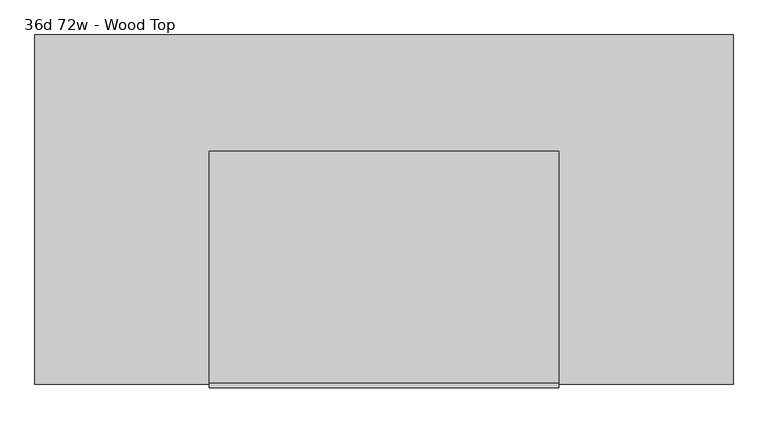
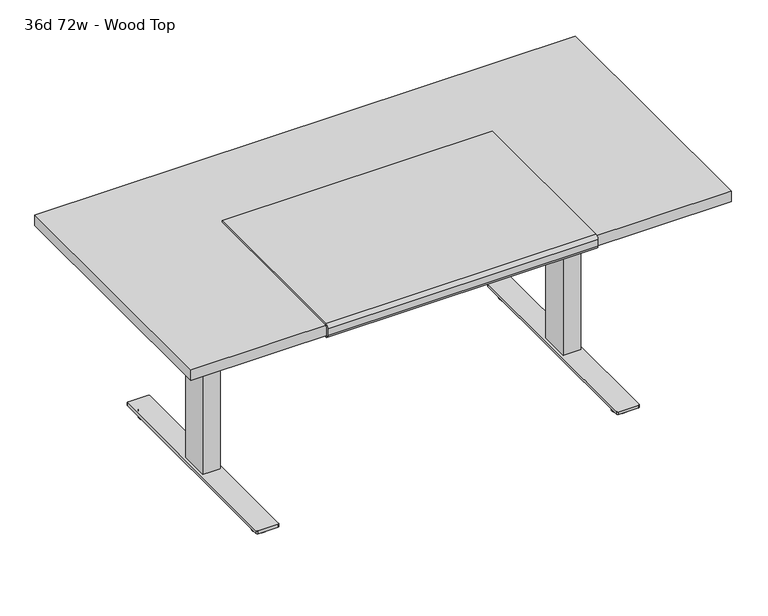
"""IFC4 building model written with IfcOpenShell, lengths in millimetres: furniture geometry, 36d 72w - Wood Top."""

from ifc_helpers import new_model, si_unit, point, frame, frame_2d, origin, origin_with_axes, place, context, project, spatial, polyline, circle_curve, trimmed, segment, composite_curve, outline, extrude, source, transform, mapped, element, save


def furniture_36d_72w_wood_top_b3a11e77(model_context):
    return source(origin(), model_context, "Body", "SweptSolid", [
        extrude(outline(composite_curve([segment(polyline([(-923.7981828, 711.2566341), (-923.7981828, 706.2597008)]), True, "CONTINUOUS"), segment(trimmed(circle_curve(frame_2d((-923.7981828, 718.9597008)), 12.7), [point((-923.7981828, 706.2597008))], [point((-936.4981828, 718.9597008))], False, "CARTESIAN"), True, "CONTINUOUS"), segment(polyline([(-936.4981828, 718.9597008), (-936.4981828, 741.3625)]), True, "CONTINUOUS"), segment(trimmed(circle_curve(frame_2d((-923.7981828, 741.3625)), 12.7), [point((-936.4981828, 741.3625))], [point((-923.7981828, 754.0625))], False, "CARTESIAN"), True, "CONTINUOUS"), segment(polyline([(-923.7981828, 754.0625), (-317.3731828, 754.0625), (-317.3731828, 749.3), (-923.6350132, 749.3)]), True, "CONTINUOUS"), segment(trimmed(circle_curve(frame_2d((-923.6350132, 741.3625)), 7.9375), [point((-923.6350132, 749.3))], [point((-931.5725132, 741.3625))], True, "CARTESIAN"), True, "CONTINUOUS"), segment(polyline([(-931.5725132, 741.3625), (-931.5725132, 717.6066341)]), True, "CONTINUOUS"), segment(trimmed(circle_curve(frame_2d((-925.2225132, 717.6066341)), 6.35), [point((-931.5725132, 717.6066341))], [point((-925.2225132, 711.2566341))], True, "CARTESIAN"), True, "CONTINUOUS"), segment(polyline([(-925.2225132, 711.2566341), (-923.7981828, 711.2566341)]), True, "CONTINUOUS")], self_intersect=False)), frame((-469.9, 0.0, 0.0), z_axis=(1.0, 0.0, 0.0), x_axis=(0.0, 1.0, 0.0)), (0.0, 0.0, 1.0), 914.4),
        extrude(outline(polyline([(-730.25, 692.15), (-730.25, 711.2), (-209.55, 711.2), (-209.55, 692.15), (-411.1625, 635.0), (-528.6375, 635.0), (-730.25, 692.15)])), frame((-662.78125, 0.0, 0.0), z_axis=(1.0, 0.0, 0.0), x_axis=(0.0, 1.0, 0.0)), (0.0, 0.0, 1.0), 2.38125),
        extrude(outline(polyline([(-472.28125, -411.1625), (-472.28125, -528.6375), (-660.4, -528.6375), (-660.4, -411.1625), (-472.28125, -411.1625)])), frame((0.0, 0.0, 655.6375), z_axis=(0.0, 0.0, 1.0), x_axis=(1.0, 0.0, 0.0)), (0.0, 0.0, 1.0), 55.5625),
        extrude(outline(polyline([(-596.9, -425.45), (-596.9, -514.35), (-647.7, -514.35), (-647.7, -425.45), (-596.9, -425.45)])), frame((0.0, 0.0, 654.05), z_axis=(0.0, 0.0, 1.0), x_axis=(1.0, 0.0, 0.0)), (0.0, 0.0, 1.0), 1.5875),
        extrude(outline(polyline([(-592.3359375, -419.89375), (-592.3359375, -519.90625), (-652.2640625, -519.90625), (-652.2640625, -419.89375), (-592.3359375, -419.89375)])), frame((0.0, 0.0, 31.75), z_axis=(0.0, 0.0, 1.0), x_axis=(1.0, 0.0, 0.0)), (0.0, 0.0, 1.0), 622.3),
        extrude(outline(composite_curve([segment(trimmed(circle_curve(frame_2d((-622.3, -800.1)), 25.4), [point((-647.7, -800.1))], [point((-596.9, -800.1))], False, "CARTESIAN"), True, "CONTINUOUS"), segment(trimmed(circle_curve(frame_2d((-622.3, -800.1)), 25.4), [point((-596.9, -800.1))], [point((-647.7, -800.1))], False, "CARTESIAN"), True, "CONTINUOUS")], self_intersect=False)), origin_with_axes(), (0.0, 0.0, 1.0), 9.525),
        extrude(outline(composite_curve([segment(trimmed(circle_curve(frame_2d((-622.3, -139.7)), 25.4), [point((-647.7, -139.7))], [point((-596.9, -139.7))], False, "CARTESIAN"), True, "CONTINUOUS"), segment(trimmed(circle_curve(frame_2d((-622.3, -139.7)), 25.4), [point((-596.9, -139.7))], [point((-647.7, -139.7))], False, "CARTESIAN"), True, "CONTINUOUS")], self_intersect=False)), origin_with_axes(), (0.0, 0.0, 1.0), 9.525),
        extrude(outline(composite_curve([segment(polyline([(-647.7, -800.1), (-647.7, -139.7)]), True, "CONTINUOUS"), segment(trimmed(circle_curve(frame_2d((-622.3, -139.7)), 25.4), [point((-647.7, -139.7))], [point((-622.3, -114.3))], False, "CARTESIAN"), True, "CONTINUOUS"), segment(trimmed(circle_curve(frame_2d((-622.3, -139.7)), 25.4), [point((-622.3, -114.3))], [point((-596.9, -139.7))], False, "CARTESIAN"), True, "CONTINUOUS"), segment(polyline([(-596.9, -139.7), (-596.9, -800.1)]), True, "CONTINUOUS"), segment(trimmed(circle_curve(frame_2d((-622.3, -800.1)), 25.4), [point((-596.9, -800.1))], [point((-622.3, -825.5))], False, "CARTESIAN"), True, "CONTINUOUS"), segment(trimmed(circle_curve(frame_2d((-622.3, -800.1)), 25.4), [point((-622.3, -825.5))], [point((-647.7, -800.1))], False, "CARTESIAN"), True, "CONTINUOUS")], self_intersect=False)), frame((0.0, 0.0, 9.525), z_axis=(0.0, 0.0, 1.0), x_axis=(1.0, 0.0, 0.0)), (0.0, 0.0, 1.0), 12.7),
        extrude(outline(composite_curve([segment(trimmed(circle_curve(frame_2d((-588.9625, -93.6625)), 4.7625), [point((-588.9625, -88.9))], [point((-584.2, -93.6625))], False, "CARTESIAN"), True, "CONTINUOUS"), segment(polyline([(-584.2, -93.6625), (-584.2, -846.1375)]), True, "CONTINUOUS"), segment(trimmed(circle_curve(frame_2d((-588.9625, -846.1375)), 4.7625), [point((-584.2, -846.1375))], [point((-588.9625, -850.9))], False, "CARTESIAN"), True, "CONTINUOUS"), segment(polyline([(-588.9625, -850.9), (-655.6375, -850.9)]), True, "CONTINUOUS"), segment(trimmed(circle_curve(frame_2d((-655.6375, -846.1375)), 4.7625), [point((-655.6375, -850.9))], [point((-660.4, -846.1375))], False, "CARTESIAN"), True, "CONTINUOUS"), segment(polyline([(-660.4, -846.1375), (-660.4, -93.6625)]), True, "CONTINUOUS"), segment(trimmed(circle_curve(frame_2d((-655.6375, -93.6625)), 4.7625), [point((-660.4, -93.6625))], [point((-655.6375, -88.9))], False, "CARTESIAN"), True, "CONTINUOUS"), segment(polyline([(-655.6375, -88.9), (-588.9625, -88.9)]), True, "CONTINUOUS")], self_intersect=False)), frame((0.0, 0.0, 22.225), z_axis=(0.0, 0.0, 1.0), x_axis=(1.0, 0.0, 0.0)), (0.0, 0.0, 1.0), 9.525),
        extrude(outline(polyline([(-209.55, 692.15), (-411.1625, 635.0), (-528.6375, 635.0), (-730.25, 692.15), (-730.25, 711.2), (-209.55, 711.2), (-209.55, 692.15)])), frame((635.0, 0.0, 0.0), z_axis=(1.0, 0.0, 0.0), x_axis=(0.0, 1.0, 0.0)), (0.0, 0.0, 1.0), 2.38125),
        extrude(outline(polyline([(446.88125, -528.6375), (446.88125, -411.1625), (635.0, -411.1625), (635.0, -528.6375), (446.88125, -528.6375)])), frame((0.0, 0.0, 655.6375), z_axis=(0.0, 0.0, 1.0), x_axis=(1.0, 0.0, 0.0)), (0.0, 0.0, 1.0), 55.5625),
        extrude(outline(polyline([(571.5, -514.35), (571.5, -425.45), (622.3, -425.45), (622.3, -514.35), (571.5, -514.35)])), frame((0.0, 0.0, 654.05), z_axis=(0.0, 0.0, 1.0), x_axis=(1.0, 0.0, 0.0)), (0.0, 0.0, 1.0), 1.5875),
        extrude(outline(polyline([(566.9359375, -519.90625), (566.9359375, -419.89375), (626.8640625, -419.89375), (626.8640625, -519.90625), (566.9359375, -519.90625)])), frame((0.0, 0.0, 31.75), z_axis=(0.0, 0.0, 1.0), x_axis=(1.0, 0.0, 0.0)), (0.0, 0.0, 1.0), 622.3),
        extrude(outline(composite_curve([segment(trimmed(circle_curve(frame_2d((596.9, -139.7)), 25.4), [point((622.3, -139.7))], [point((571.5, -139.7))], False, "CARTESIAN"), True, "CONTINUOUS"), segment(trimmed(circle_curve(frame_2d((596.9, -139.7)), 25.4), [point((571.5, -139.7))], [point((622.3, -139.7))], False, "CARTESIAN"), True, "CONTINUOUS")], self_intersect=False)), origin_with_axes(), (0.0, 0.0, 1.0), 9.525),
        extrude(outline(composite_curve([segment(trimmed(circle_curve(frame_2d((596.9, -800.1)), 25.4), [point((622.3, -800.1))], [point((571.5, -800.1))], False, "CARTESIAN"), True, "CONTINUOUS"), segment(trimmed(circle_curve(frame_2d((596.9, -800.1)), 25.4), [point((571.5, -800.1))], [point((622.3, -800.1))], False, "CARTESIAN"), True, "CONTINUOUS")], self_intersect=False)), origin_with_axes(), (0.0, 0.0, 1.0), 9.525),
        extrude(outline(composite_curve([segment(polyline([(622.3, -139.7), (622.3, -800.1)]), True, "CONTINUOUS"), segment(trimmed(circle_curve(frame_2d((596.9, -800.1)), 25.4), [point((622.3, -800.1))], [point((596.9, -825.5))], False, "CARTESIAN"), True, "CONTINUOUS"), segment(trimmed(circle_curve(frame_2d((596.9, -800.1)), 25.4), [point((596.9, -825.5))], [point((571.5, -800.1))], False, "CARTESIAN"), True, "CONTINUOUS"), segment(polyline([(571.5, -800.1), (571.5, -139.7)]), True, "CONTINUOUS"), segment(trimmed(circle_curve(frame_2d((596.9, -139.7)), 25.4), [point((571.5, -139.7))], [point((596.9, -114.3))], False, "CARTESIAN"), True, "CONTINUOUS"), segment(trimmed(circle_curve(frame_2d((596.9, -139.7)), 25.4), [point((596.9, -114.3))], [point((622.3, -139.7))], False, "CARTESIAN"), True, "CONTINUOUS")], self_intersect=False)), frame((0.0, 0.0, 9.525), z_axis=(0.0, 0.0, 1.0), x_axis=(1.0, 0.0, 0.0)), (0.0, 0.0, 1.0), 12.7),
        extrude(outline(composite_curve([segment(trimmed(circle_curve(frame_2d((563.5625, -846.1375)), 4.7625), [point((563.5625, -850.9))], [point((558.8, -846.1375))], False, "CARTESIAN"), True, "CONTINUOUS"), segment(polyline([(558.8, -846.1375), (558.8, -93.6625)]), True, "CONTINUOUS"), segment(trimmed(circle_curve(frame_2d((563.5625, -93.6625)), 4.7625), [point((558.8, -93.6625))], [point((563.5625, -88.9))], False, "CARTESIAN"), True, "CONTINUOUS"), segment(polyline([(563.5625, -88.9), (630.2375, -88.9)]), True, "CONTINUOUS"), segment(trimmed(circle_curve(frame_2d((630.2375, -93.6625)), 4.7625), [point((630.2375, -88.9))], [point((635.0, -93.6625))], False, "CARTESIAN"), True, "CONTINUOUS"), segment(polyline([(635.0, -93.6625), (635.0, -846.1375)]), True, "CONTINUOUS"), segment(trimmed(circle_curve(frame_2d((630.2375, -846.1375)), 4.7625), [point((635.0, -846.1375))], [point((630.2375, -850.9))], False, "CARTESIAN"), True, "CONTINUOUS"), segment(polyline([(630.2375, -850.9), (563.5625, -850.9)]), True, "CONTINUOUS")], self_intersect=False)), frame((0.0, 0.0, 22.225), z_axis=(0.0, 0.0, 1.0), x_axis=(1.0, 0.0, 0.0)), (0.0, 0.0, 1.0), 9.525),
        extrude(outline(polyline([(-749.3, 671.5125), (-749.3, 709.6125), (-190.5, 709.6125), (-190.5, 671.5125), (-393.7, 633.4125), (-546.1, 633.4125), (-749.3, 671.5125)])), frame((-673.1, 0.0, 0.0), z_axis=(1.0, 0.0, 0.0), x_axis=(0.0, 1.0, 0.0)), (0.0, 0.0, 1.0), 1320.8),
        extrude(outline(polyline([(901.7, -12.7), (901.7, -927.1), (-927.1, -927.1), (-927.1, -12.7), (901.7, -12.7)])), frame((0.0, 0.0, 711.2), z_axis=(0.0, 0.0, 1.0), x_axis=(1.0, 0.0, 0.0)), (0.0, 0.0, 1.0), 38.1),
    ])


if __name__ == "__main__":
    model = new_model("IFC4")
    model_context = context("Model", 3, world=origin())
    ifc_project = project(units=[si_unit("LENGTHUNIT", "METRE", prefix="MILLI")], contexts=[model_context])
    site = spatial("IfcSite", under=ifc_project)
    building = spatial("IfcBuilding", under=site)
    placement = place(None, origin())
    furniture_36d_72w_wood_top_shape = furniture_36d_72w_wood_top_b3a11e77(model_context)
    element("IfcFurniture", 1, ObjectType="36d 72w - Wood Top", at=placement, inside=building, context=model_context, shape_type="MappedRepresentation", body=[
        mapped(furniture_36d_72w_wood_top_shape, transform((0.0, 0.0, 0.0), x_axis=(1.0, 0.0, 0.0), y_axis=(0.0, 1.0, 0.0), z_axis=(0.0, 0.0, 1.0))),
    ])
    save(model, "model.ifc")
